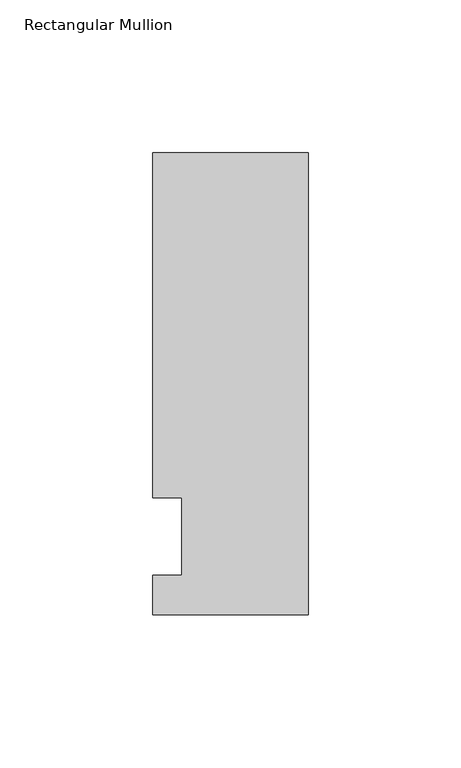
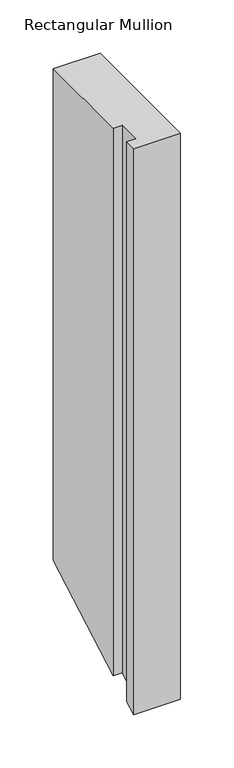
"""IFC4 building model written with IfcOpenShell, lengths in millimetres: member geometry, Rectangular Mullion."""

from ifc_helpers import new_model, si_unit, origin, place, context, project, spatial, faceted_brep, source, transform, mapped, element, save


def rectangular_mullion_c64cb842(model_context):
    return source(origin(), model_context, "Body", "Brep", [
        faceted_brep([(-50.8, -25.5984375, 0.0), (0.0, -25.5984375, 0.0), (0.0, 125.6109375, 0.0), (-50.8, 125.6109375, 0.0), (-50.8, 12.7, 0.0), (-41.275, 12.7, 0.0), (-41.275, -12.7, 0.0), (-50.8, -12.7, 0.0), (-50.8, -25.5984375, -649.4828991), (0.0, -25.5984375, -649.4828991), (0.0, 125.6109375, -563.9327509), (-50.8, 125.6109375, -563.9327509), (-50.8, 12.7, -627.8146857), (-41.275, 12.7, -627.8146857), (-41.275, -12.7, -642.1853143), (-50.8, -12.7, -642.1853143)], [[[0, 1, 2, 3, 4, 5, 6, 7]], [[1, 0, 8, 9]], [[2, 1, 9, 10]], [[3, 2, 10, 11]], [[4, 3, 11, 12]], [[5, 4, 12, 13]], [[6, 5, 13, 14]], [[7, 6, 14, 15]], [[0, 7, 15, 8]], [[8, 15, 14, 13, 12, 11, 10, 9]]]),
    ])


if __name__ == "__main__":
    model = new_model("IFC4")
    model_context = context("Model", 3, world=origin())
    ifc_project = project(units=[si_unit("LENGTHUNIT", "METRE", prefix="MILLI")], contexts=[model_context])
    site = spatial("IfcSite", under=ifc_project)
    building = spatial("IfcBuilding", under=site)
    placement = place(None, origin())
    rectangular_mullion_shape = rectangular_mullion_c64cb842(model_context)
    element("IfcMember", 1, ObjectType="Rectangular Mullion", at=placement, inside=building, context=model_context, shape_type="MappedRepresentation", body=[
        mapped(rectangular_mullion_shape, transform((0.0, 0.0, 0.0), x_axis=(1.0, 0.0, 0.0), y_axis=(0.0, 1.0, 0.0), z_axis=(0.0, 0.0, 1.0))),
    ])
    save(model, "model.ifc")
